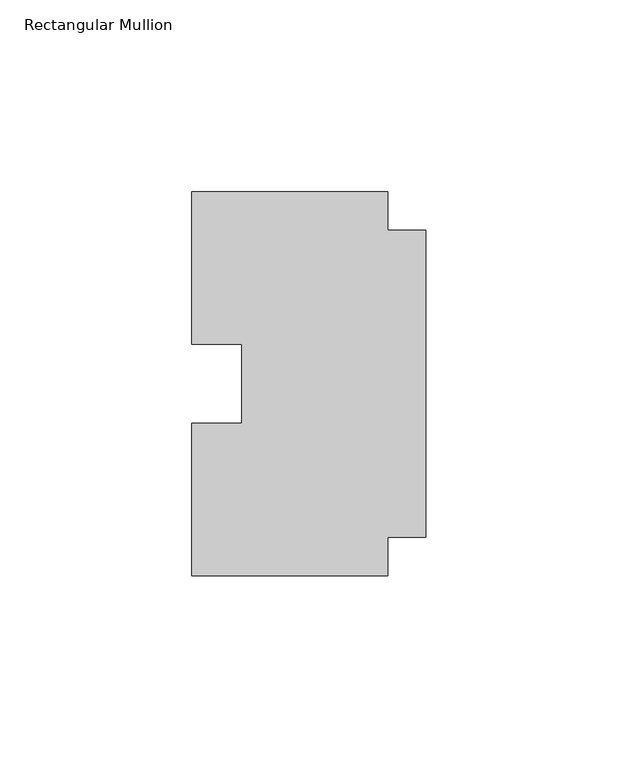
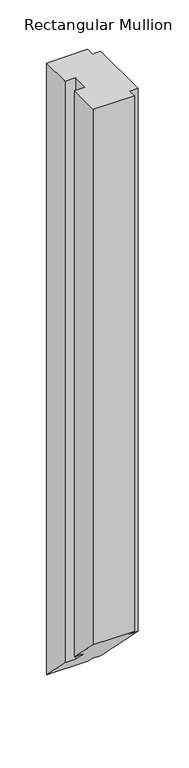
"""IFC4 building model written with IfcOpenShell, lengths in millimetres: member geometry, Rectangular Mullion."""

from ifc_helpers import new_model, si_unit, origin, place, context, project, spatial, faceted_brep, source, transform, mapped, element, save


def rectangular_mullion_2ad69eeb(model_context):
    return source(origin(), model_context, "Body", "Brep", [
        faceted_brep([(-10.0, -40.0, 0.0), (0.0, -40.0, 0.0), (0.0, 40.0, 0.0), (-10.0, 40.0, 0.0), (-10.0, 50.0, 0.0), (-61.0, 50.0, 0.0), (-61.0, 10.25, 0.0), (-48.0, 10.25, 0.0), (-48.0, -10.25, 0.0), (-61.0, -10.25, 0.0), (-61.0, -50.0, 0.0), (-10.0, -50.0, 0.0), (-10.0, -40.0, -709.9999997), (0.0, -40.0, -709.9999997), (0.0, 40.0, -789.9999997), (-10.0, 40.0, -789.9999997), (-10.0, 50.0, -799.9999997), (-61.0, 50.0, -799.9999997), (-61.0, 10.25, -760.2499997), (-48.0, 10.25, -760.2499997), (-48.0, -10.25, -739.7499997), (-61.0, -10.25, -739.7499997), (-61.0, -50.0, -699.9999997), (-10.0, -50.0, -699.9999997)], [[[0, 1, 2, 3, 4, 5, 6, 7, 8, 9, 10, 11]], [[1, 0, 12, 13]], [[2, 1, 13, 14]], [[3, 2, 14, 15]], [[4, 3, 15, 16]], [[5, 4, 16, 17]], [[6, 5, 17, 18]], [[7, 6, 18, 19]], [[8, 7, 19, 20]], [[9, 8, 20, 21]], [[10, 9, 21, 22]], [[11, 10, 22, 23]], [[0, 11, 23, 12]], [[12, 23, 22, 21, 20, 19, 18, 17, 16, 15, 14, 13]]]),
    ])


if __name__ == "__main__":
    model = new_model("IFC4")
    model_context = context("Model", 3, world=origin())
    ifc_project = project(units=[si_unit("LENGTHUNIT", "METRE", prefix="MILLI")], contexts=[model_context])
    site = spatial("IfcSite", under=ifc_project)
    building = spatial("IfcBuilding", under=site)
    placement = place(None, origin())
    rectangular_mullion_shape = rectangular_mullion_2ad69eeb(model_context)
    element("IfcMember", 1, ObjectType="Rectangular Mullion", at=placement, inside=building, context=model_context, shape_type="MappedRepresentation", body=[
        mapped(rectangular_mullion_shape, transform((0.0, 0.0, 0.0), x_axis=(1.0, 0.0, 0.0), y_axis=(0.0, 1.0, 0.0), z_axis=(0.0, 0.0, 1.0))),
    ])
    save(model, "model.ifc")
